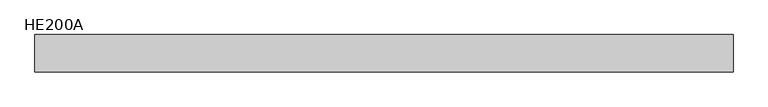
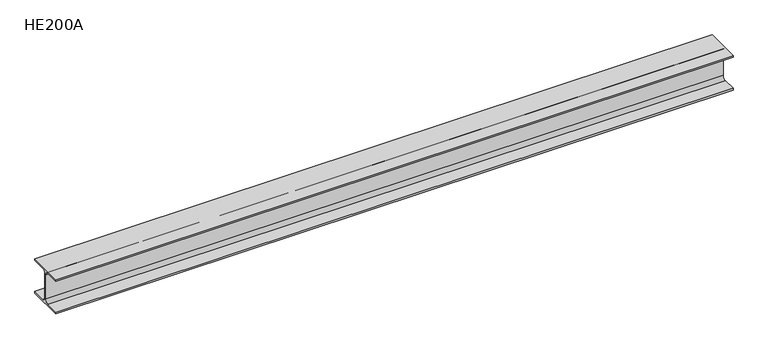
"""IFC4 building model written with IfcOpenShell, lengths in millimetres: beam geometry, HE200A."""

from ifc_helpers import new_model, si_unit, point, frame, frame_2d, origin, place, context, project, spatial, polyline, circle_curve, trimmed, segment, composite_curve, outline, extrude, source, transform, mapped, element, save


def he200a_b2fa8706(model_context):
    return source(origin(), model_context, "Body", "SweptSolid", [
        extrude(outline(composite_curve([segment(polyline([(100.0, -90.0), (100.0, -100.0), (-100.0, -100.0), (-100.0, -90.0), (-24.0, -90.0)]), True, "CONTINUOUS"), segment(trimmed(circle_curve(frame_2d((-24.0, -70.0)), 20.0), [point((-24.0, -90.0))], [point((-4.0, -70.0))], True, "CARTESIAN"), True, "CONTINUOUS"), segment(polyline([(-4.0, -70.0), (-4.0, 70.0)]), True, "CONTINUOUS"), segment(trimmed(circle_curve(frame_2d((-24.0, 70.0)), 20.0), [point((-4.0, 70.0))], [point((-24.0, 90.0))], True, "CARTESIAN"), True, "CONTINUOUS"), segment(polyline([(-24.0, 90.0), (-100.0, 90.0), (-100.0, 100.0), (100.0, 100.0), (100.0, 90.0), (24.0, 90.0)]), True, "CONTINUOUS"), segment(trimmed(circle_curve(frame_2d((24.0, 70.0)), 20.0), [point((24.0, 90.0))], [point((4.0, 70.0))], True, "CARTESIAN"), True, "CONTINUOUS"), segment(polyline([(4.0, 70.0), (4.0, -70.0)]), True, "CONTINUOUS"), segment(trimmed(circle_curve(frame_2d((24.0, -70.0)), 20.0), [point((4.0, -70.0))], [point((24.0, -90.0))], True, "CARTESIAN"), True, "CONTINUOUS"), segment(polyline([(24.0, -90.0), (100.0, -90.0)]), True, "CONTINUOUS")], self_intersect=False)), frame((-1874.0, 0.0, 0.0), z_axis=(1.0, 0.0, 0.0), x_axis=(0.0, 1.0, 0.0)), (0.0, 0.0, 1.0), 3723.0),
    ])


if __name__ == "__main__":
    model = new_model("IFC4")
    model_context = context("Model", 3, world=origin())
    ifc_project = project(units=[si_unit("LENGTHUNIT", "METRE", prefix="MILLI")], contexts=[model_context])
    site = spatial("IfcSite", under=ifc_project)
    building = spatial("IfcBuilding", under=site)
    placement = place(None, origin())
    he200a_shape = he200a_b2fa8706(model_context)
    element("IfcBeam", 1, ObjectType="HE200A", at=placement, inside=building, context=model_context, shape_type="MappedRepresentation", body=[
        mapped(he200a_shape, transform((0.0, 0.0, 0.0), x_axis=(1.0, 0.0, 0.0), y_axis=(0.0, 1.0, 0.0), z_axis=(0.0, 0.0, 1.0))),
    ])
    save(model, "model.ifc")
